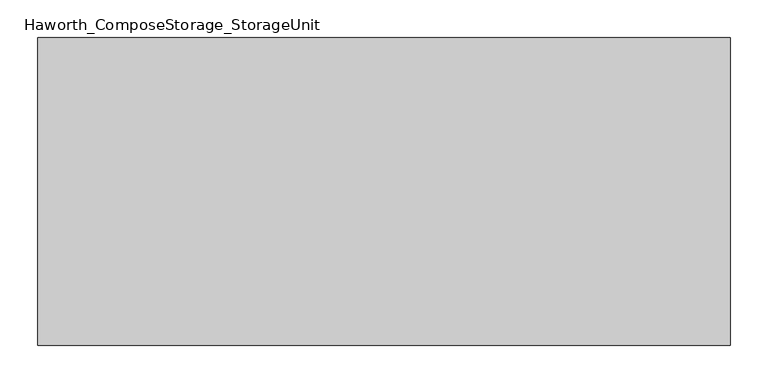
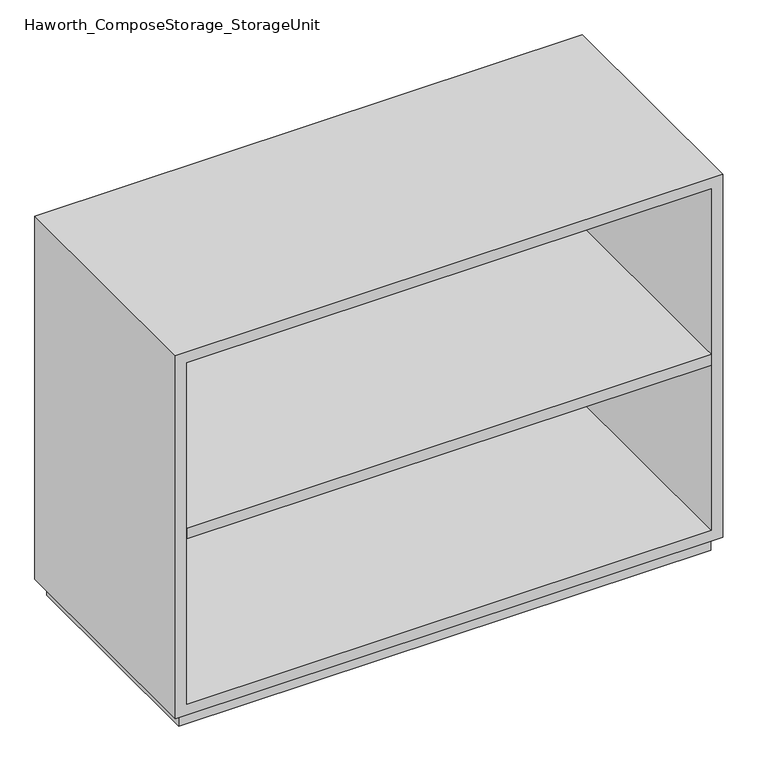
"""IFC4 building model written with IfcOpenShell, lengths in millimetres: furniture geometry, Haworth_ComposeStorage_StorageUnit."""

from ifc_helpers import new_model, si_unit, frame, origin, origin_with_axes, place, context, project, spatial, polyline, outline, extrude, source, transform, mapped, element, save


def haworth_composestorage_storageunit_c4e2a926(model_context):
    return source(origin(), model_context, "Body", "SweptSolid", [
        extrude(outline(polyline([(438.1569453, 219.075), (438.1569453, -152.4), (-438.1291641, -152.4), (-438.1291641, 219.075), (438.1569453, 219.075)])), frame((0.0, 0.0, 336.55), z_axis=(0.0, 0.0, 1.0), x_axis=(1.0, 0.0, 0.0)), (0.0, 0.0, 1.0), 19.05),
        extrude(outline(polyline([(25.4, -457.1861094), (25.4, 457.2138906), (666.75, 457.2138906), (666.75, -457.1861094), (25.4, -457.1861094)]), holes=[polyline([(44.45, -438.1361094), (647.7, -438.1361094), (647.7, 438.1569453), (44.45, 438.1569453), (44.45, -438.1361094)])]), frame((0.0, -152.4, 0.0), z_axis=(0.0, 1.0, 0.0), x_axis=(0.0, 0.0, 1.0)), (0.0, 0.0, 1.0), 406.4),
        extrude(outline(polyline([(-438.1291641, 219.075), (-438.1291641, 228.6), (438.1569453, 228.6), (438.1569453, 219.075), (-438.1291641, 219.075)])), frame((0.0, 0.0, 44.45), z_axis=(0.0, 0.0, 1.0), x_axis=(1.0, 0.0, 0.0)), (0.0, 0.0, 1.0), 603.25),
        extrude(outline(polyline([(444.5138906, -139.7), (-444.4861094, -139.7), (-444.4861094, 241.3), (444.5138906, 241.3), (444.5138906, -139.7)])), origin_with_axes(), (0.0, 0.0, 1.0), 25.4),
    ])


if __name__ == "__main__":
    model = new_model("IFC4")
    model_context = context("Model", 3, world=origin())
    ifc_project = project(units=[si_unit("LENGTHUNIT", "METRE", prefix="MILLI")], contexts=[model_context])
    site = spatial("IfcSite", under=ifc_project)
    building = spatial("IfcBuilding", under=site)
    placement = place(None, origin())
    haworth_composestorage_storageunit_shape = haworth_composestorage_storageunit_c4e2a926(model_context)
    element("IfcFurniture", 1, ObjectType="Haworth_ComposeStorage_StorageUnit", at=placement, inside=building, context=model_context, shape_type="MappedRepresentation", body=[
        mapped(haworth_composestorage_storageunit_shape, transform((0.0, 0.0, 0.0), x_axis=(1.0, 0.0, 0.0), y_axis=(0.0, 1.0, 0.0), z_axis=(0.0, 0.0, 1.0))),
    ])
    save(model, "model.ifc")
